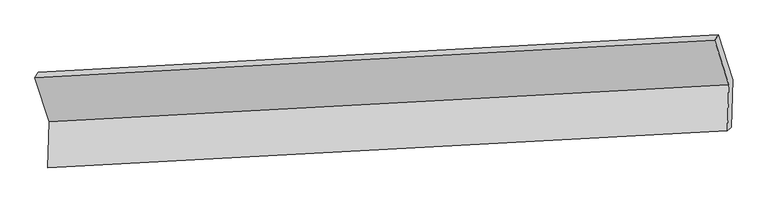
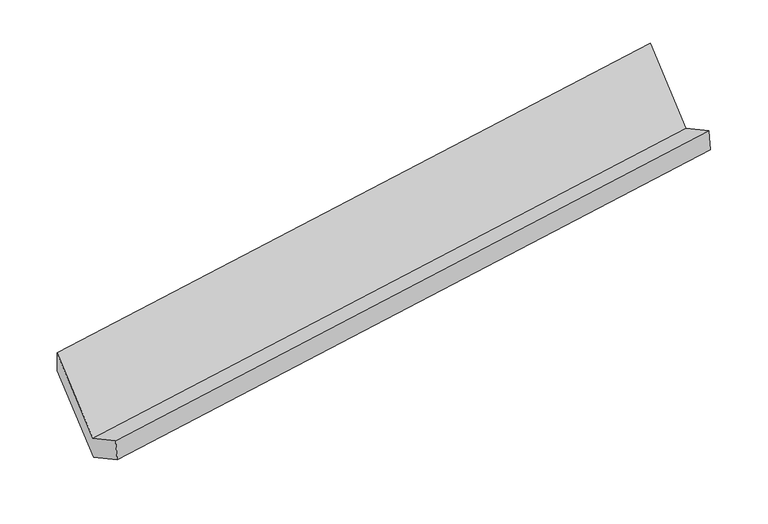
"""IFC4 building model written with IfcOpenShell, lengths in millimetres: proxy geometry."""

import ifcopenshell
import ifcopenshell.guid

model = None  # the IFC model being written
_history = None  # IfcOwnerHistory: only IFC2X3 demands one
_inside = {}  # id of a spatial element -> (the spatial element, [elements in it])
_under = {}  # id of a project, library or spatial element -> (it, [spatial elements below it])
_declared = {}  # id of a project -> (the project, [libraries it declares])
_typed = {}  # id of a type object -> (the type object, [elements of that type])
_made_of = {}  # id of a material, layer set ... -> (it, [elements and type objects made of it])


def new_model(schema):
    """Start an empty IFC model of exactly this schema.

    Asked for "IFC4X3", IfcOpenShell would pick the latest addendum, in which some entities
    have other attributes; the version numbers below select the first issue.
    IFC2X3 requires an IfcOwnerHistory on every rooted entity: one is made here for all.
    """
    global model, _history
    if schema == "IFC4X3":
        model = ifcopenshell.file(schema_version=(4, 3, 0, 0))
    else:
        model = ifcopenshell.file(schema=schema)
    _inside.clear()
    _under.clear()
    _declared.clear()
    _typed.clear()
    _made_of.clear()
    _history = None
    if model.schema == "IFC2X3":
        org = make("IfcOrganization", Name="unknown")
        user = make(
            "IfcPersonAndOrganization",
            ThePerson=make("IfcPerson", FamilyName="unknown"),
            TheOrganization=org,
        )
        app = make(
            "IfcApplication",
            ApplicationDeveloper=org,
            Version="unknown",
            ApplicationFullName="unknown",
            ApplicationIdentifier="unknown",
        )
        _history = make(
            "IfcOwnerHistory",
            OwningUser=user,
            OwningApplication=app,
            ChangeAction="ADDED",
            CreationDate=0,
        )
    return model


def make(cls, **values):
    """One entity of the class cls with the attributes given. An attribute that is None is left unset."""
    return model.create_entity(
        cls, **{name: value for name, value in values.items() if value is not None}
    )


def rooted(cls, **values):
    """An entity with a GlobalId (a new one), such as an element, a storey or a relation."""
    return make(cls, GlobalId=ifcopenshell.guid.new(), OwnerHistory=_history, **values)


def si_unit(unit_type, name, prefix=None):
    """IfcSIUnit, for example si_unit("LENGTHUNIT", "METRE", prefix="MILLI")."""
    return make("IfcSIUnit", UnitType=unit_type, Prefix=prefix, Name=name)


def assignment(units):
    """IfcUnitAssignment: the units of a project."""
    return None if units is None else make("IfcUnitAssignment", Units=units)


def point(xyz):
    """IfcCartesianPoint."""
    return None if xyz is None else make("IfcCartesianPoint", Coordinates=xyz)


def direction(xyz):
    """IfcDirection."""
    return None if xyz is None else make("IfcDirection", DirectionRatios=xyz)


def frame(location, z_axis=None, x_axis=None):
    """IfcAxis2Placement3D, a coordinate frame: its origin and axes. An axis left out is left unset."""
    return make(
        "IfcAxis2Placement3D",
        Location=point(location),
        Axis=direction(z_axis),
        RefDirection=direction(x_axis),
    )


def origin():
    """The frame at (0, 0, 0) with its axes left unset."""
    return frame((0.0, 0.0, 0.0))


def place(relative_to, where):
    """IfcLocalPlacement: puts the frame where relative to a parent placement (None: the world)."""
    return make(
        "IfcLocalPlacement", PlacementRelTo=relative_to, RelativePlacement=where
    )


def context(
    kind, dimensions, precision=None, world=None, true_north=None, identifier=None
):
    """IfcGeometricRepresentationContext, for example the 3D "Model" context."""
    return make(
        "IfcGeometricRepresentationContext",
        ContextIdentifier=identifier,
        ContextType=kind,
        CoordinateSpaceDimension=dimensions,
        Precision=precision,
        WorldCoordinateSystem=world,
        TrueNorth=true_north,
    )


def project(units=None, contexts=None):
    """IfcProject with its units and contexts."""
    return rooted(
        "IfcProject",
        Name="project",
        RepresentationContexts=contexts,
        UnitsInContext=assignment(units),
    )


def spatial(cls, under=None, at=None, **own):
    """A site, building, storey or space (cls), placed at a placement, below another one or the project."""
    s = rooted(cls, ObjectPlacement=at, **own)
    if under is not None:
        _under.setdefault(under.id(), (under, []))[1].append(s)
    return s


def polyline(points):
    """IfcPolyline through the points."""
    return make("IfcPolyline", Points=[point(p) for p in points])


def outline(outer, holes=None, kind="AREA"):
    """IfcArbitraryClosedProfileDef: a profile drawn as a closed curve; with holes, ...WithVoids."""
    if holes is None:
        return make("IfcArbitraryClosedProfileDef", ProfileType=kind, OuterCurve=outer)
    return make(
        "IfcArbitraryProfileDefWithVoids",
        ProfileType=kind,
        OuterCurve=outer,
        InnerCurves=holes,
    )


def extrude(swept, where, along, depth):
    """IfcExtrudedAreaSolid: the profile swept, set in the frame where, extruded along a direction by depth."""
    return make(
        "IfcExtrudedAreaSolid",
        SweptArea=swept,
        Position=where,
        ExtrudedDirection=direction(along),
        Depth=depth,
    )


def shape(context_of_items, identifier, shape_type, items):
    """IfcShapeRepresentation: the items that make up one representation, for example the "Body"."""
    return make(
        "IfcShapeRepresentation",
        ContextOfItems=context_of_items,
        RepresentationIdentifier=identifier,
        RepresentationType=shape_type,
        Items=items,
    )


def source(mapping_origin, context_of_items, identifier, shape_type, items):
    """IfcRepresentationMap: a shape defined once, which mapped items show again and again."""
    return make(
        "IfcRepresentationMap",
        MappingOrigin=mapping_origin,
        MappedRepresentation=shape(context_of_items, identifier, shape_type, items),
    )


def transform(
    local_origin,
    x_axis=None,
    y_axis=None,
    z_axis=None,
    scale=None,
    scale2=None,
    scale3=None,
    uniform=True,
):
    """IfcCartesianTransformationOperator3D, or its non-uniform kind. x_axis, y_axis, z_axis: its Axis1, 2, 3."""
    if uniform:
        return make(
            "IfcCartesianTransformationOperator3D",
            Axis1=direction(x_axis),
            Axis2=direction(y_axis),
            LocalOrigin=point(local_origin),
            Scale=scale,
            Axis3=direction(z_axis),
        )
    return make(
        "IfcCartesianTransformationOperator3DnonUniform",
        Axis1=direction(x_axis),
        Axis2=direction(y_axis),
        LocalOrigin=point(local_origin),
        Scale=scale,
        Axis3=direction(z_axis),
        Scale2=scale2,
        Scale3=scale3,
    )


def mapped(mapping_source, mapping_target):
    """IfcMappedItem: shows the shape of a source again, moved by a transform."""
    return make(
        "IfcMappedItem", MappingSource=mapping_source, MappingTarget=mapping_target
    )


def made_of(thing, what):
    """Note that an element or type object is made of a material, layer set ...; save() writes the relation."""
    if what is not None:
        _made_of.setdefault(what.id(), (what, []))[1].append(thing)
    return thing


def element(
    cls,
    number,
    at=None,
    inside=None,
    cuts=None,
    type_object=None,
    material=None,
    context=None,
    identifier="Body",
    shape_type=None,
    held_by="IfcProductDefinitionShape",
    body=None,
    shapes=None,
    **own,
):
    """One element of the class cls, such as IfcWall. Its Tag is "e" and its number.

    at: its placement. inside: the storey or other place that contains it. cuts: it is an
    opening in that element (IfcRelVoidsElement). A single representation is given by context,
    identifier, shape_type and body (its items); several are given by shapes. held_by: the class
    of the entity that holds the representations. save() writes the other relations.
    """
    e = rooted(cls, Tag="e%d" % number, ObjectPlacement=at, **own)
    if body is not None:
        shapes = [shape(context, identifier, shape_type, body)]
    if shapes is not None:
        e.Representation = make(held_by, Representations=shapes)
    if inside is not None:
        _inside.setdefault(inside.id(), (inside, []))[1].append(e)
    if cuts is not None:
        rooted(
            "IfcRelVoidsElement", RelatingBuildingElement=cuts, RelatedOpeningElement=e
        )
    if type_object is not None:
        _typed.setdefault(type_object.id(), (type_object, []))[1].append(e)
    return made_of(e, material)


def aggregate(whole, parts):
    """IfcRelAggregates: a whole, such as a stair, and the parts it consists of."""
    return rooted("IfcRelAggregates", RelatingObject=whole, RelatedObjects=parts)


def save(model, path):
    """Write the relations noted so far, then the file.

    IfcRelAggregates (storeys below a building ...), IfcRelContainedInSpatialStructure (elements
    in a storey), IfcRelDefinesByType, IfcRelAssociatesMaterial and IfcRelDeclares: one each for
    every whole, place, type object, material and project.
    """
    for whole, parts in _under.values():
        aggregate(whole, parts)
    for where, things in _inside.values():
        rooted(
            "IfcRelContainedInSpatialStructure",
            RelatedElements=things,
            RelatingStructure=where,
        )
    for kind, things in _typed.values():
        rooted("IfcRelDefinesByType", RelatedObjects=things, RelatingType=kind)
    for what, things in _made_of.values():
        rooted("IfcRelAssociatesMaterial", RelatedObjects=things, RelatingMaterial=what)
    for by, libraries in _declared.values():
        rooted("IfcRelDeclares", RelatingContext=by, RelatedDefinitions=libraries)
    model.write(path)


def generic_models_54b424cc(model_context):
    return source(origin(), model_context, "Body", "SweptSolid", [
        extrude(outline(polyline([(-146.0705273, -67.4842004), (518.4338955, -67.4842004), (374.2386682, -193.4611625), (-300.2657547, -193.4611624), (-300.2657546, 202.956882), (-146.0705273, 318.9338441), (-146.0705273, -67.4842004)])), frame((-5344.3548765, -1641.560425, 1551.5063416), z_axis=(0.9873078039900701, 0.0540064125495401, 0.14935396741912962), x_axis=(-0.1566747389945176, 0.4851937135439398, 0.8602558261926746)), (0.0, 0.0, 1.0), 5030.5195664),
    ])


if __name__ == "__main__":
    model = new_model("IFC4")
    model_context = context("Model", 3, world=origin())
    ifc_project = project(units=[si_unit("LENGTHUNIT", "METRE", prefix="MILLI")], contexts=[model_context])
    site = spatial("IfcSite", under=ifc_project)
    building = spatial("IfcBuilding", under=site)
    placement = place(None, origin())
    generic_models_shape = generic_models_54b424cc(model_context)
    element("IfcBuildingElementProxy", 1, Name="Generic Models", at=placement, inside=building, context=model_context, shape_type="MappedRepresentation", body=[
        mapped(generic_models_shape, transform((0.0, 0.0, 0.0), x_axis=(1.0, 0.0, 0.0), y_axis=(0.0, 1.0, 0.0), z_axis=(0.0, 0.0, 1.0))),
    ])
    save(model, "model.ifc")
